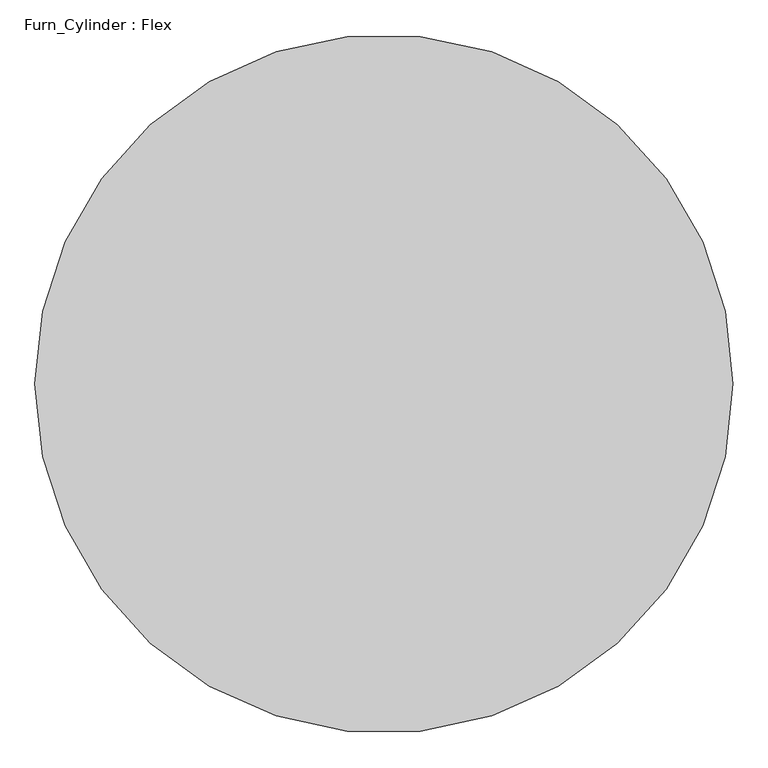
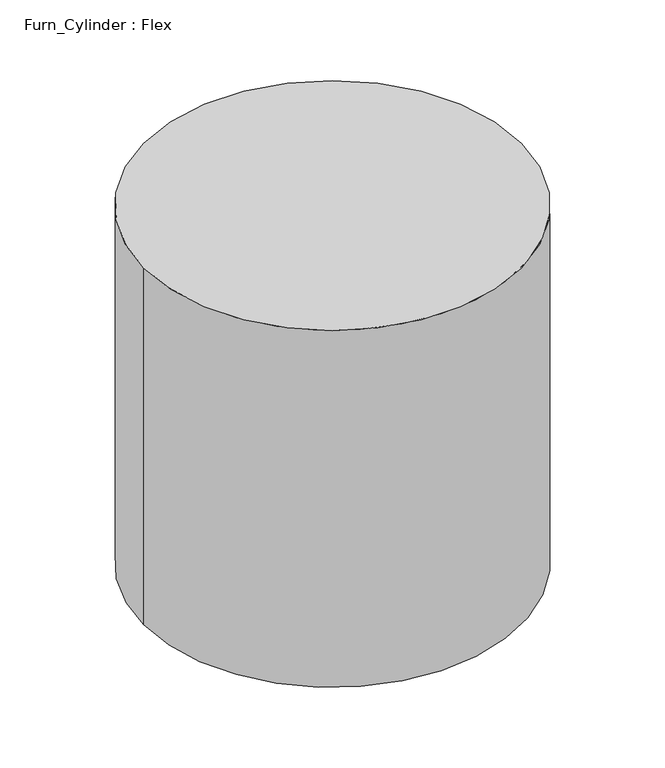
"""IFC4 building model written with IfcOpenShell, lengths in millimetres: furniture geometry, Furn_Cylinder : Flex."""

from ifc_helpers import new_model, si_unit, point, origin, origin_with_axes, origin_2d, place, context, project, spatial, circle_curve, trimmed, segment, composite_curve, outline, extrude, source, transform, mapped, element, save


def furn_cylinder_flex_0c4cfc7c(model_context):
    return source(origin(), model_context, "Body", "SweptSolid", [
        extrude(outline(composite_curve([segment(trimmed(circle_curve(origin_2d(), 609.6), [point((-609.6, 0.0))], [point((609.6, 0.0))], False, "CARTESIAN"), True, "CONTINUOUS"), segment(trimmed(circle_curve(origin_2d(), 609.6), [point((609.6, 0.0))], [point((-609.6, 0.0))], False, "CARTESIAN"), True, "CONTINUOUS")], self_intersect=False)), origin_with_axes(), (0.0, 0.0, 1.0), 1219.2),
    ])


if __name__ == "__main__":
    model = new_model("IFC4")
    model_context = context("Model", 3, world=origin())
    ifc_project = project(units=[si_unit("LENGTHUNIT", "METRE", prefix="MILLI")], contexts=[model_context])
    site = spatial("IfcSite", under=ifc_project)
    building = spatial("IfcBuilding", under=site)
    placement = place(None, origin())
    furn_cylinder_flex_shape = furn_cylinder_flex_0c4cfc7c(model_context)
    element("IfcFurniture", 1, ObjectType="Furn_Cylinder : Flex", at=placement, inside=building, context=model_context, shape_type="MappedRepresentation", body=[
        mapped(furn_cylinder_flex_shape, transform((0.0, 0.0, 0.0), x_axis=(1.0, 0.0, 0.0), y_axis=(0.0, 1.0, 0.0), z_axis=(0.0, 0.0, 1.0))),
    ])
    save(model, "model.ifc")
